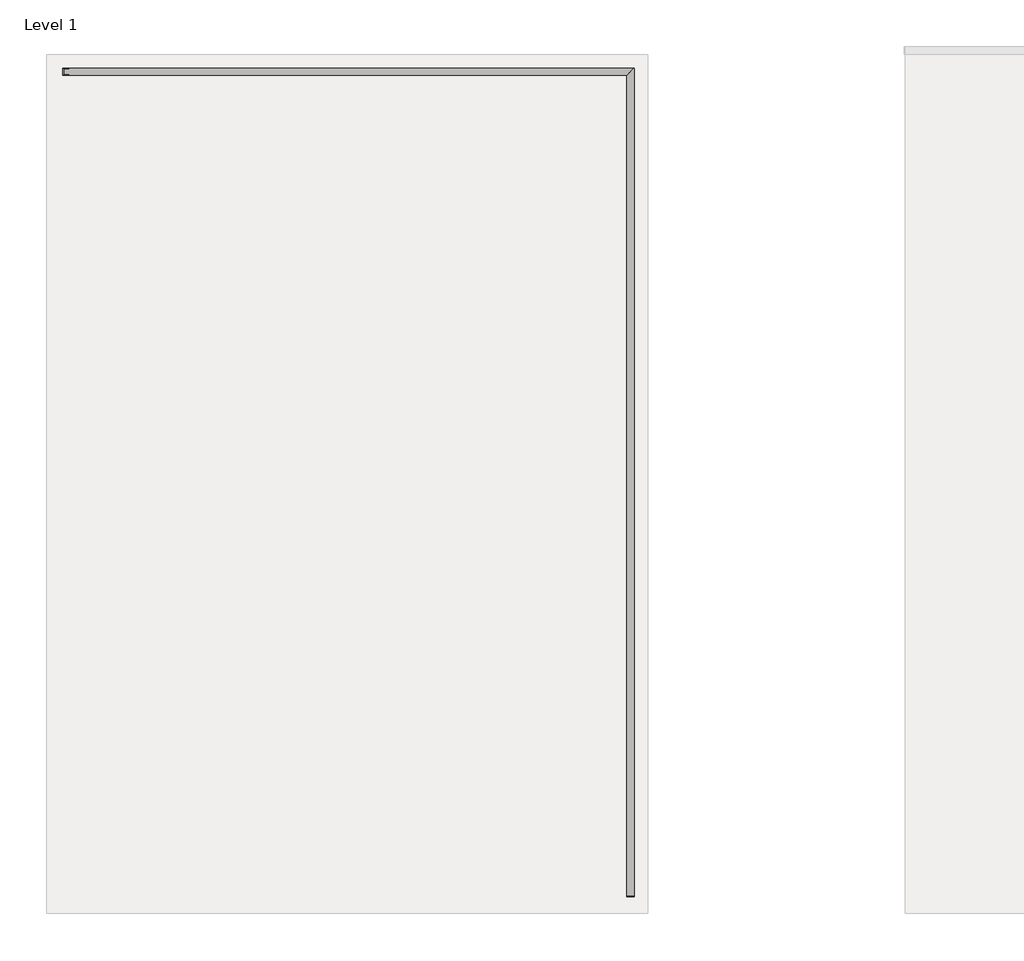
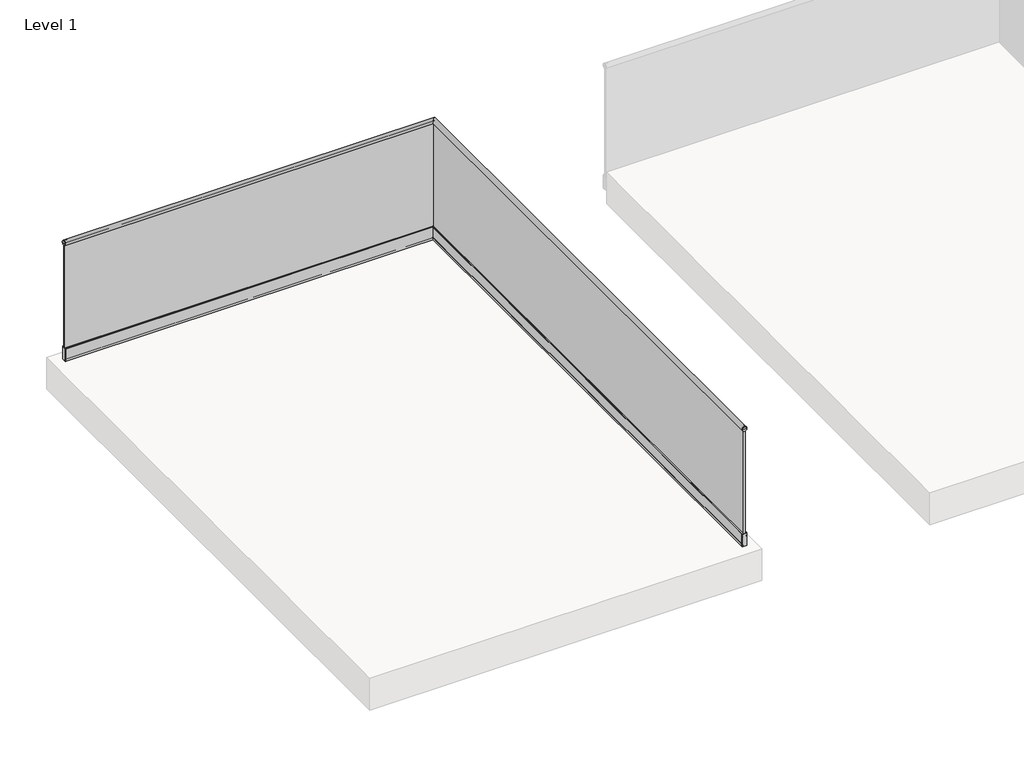
# One storey, part 2 of 11: 1 railing.
"""IFC4 building model written with IfcOpenShell, lengths in millimetres."""

from ifc_helpers import new_model, si_unit, frame, origin, place, context, project, spatial, polyline, circle_curve, ellipse_curve, outline, extrude, faceted_brep, element, save
from ifc_brep_helpers import plane_surface, cylinder_surface, revolved_surface, advanced_brep

model = new_model("IFC4")

# Units and contexts
model_context = context("Model", 3, world=origin())
ifc_project = project(units=[si_unit("LENGTHUNIT", "METRE", prefix="MILLI")], contexts=[model_context])

# Site, building, storey
site = spatial("IfcSite", under=ifc_project)
building = spatial("IfcBuilding", under=site)
storey = spatial("IfcBuildingStorey", under=building, Name="Level 1", Elevation=0.0)

# Railing
placement = place(None, origin())
element("IfcRailing", 1, at=placement, inside=storey, context=model_context, shape_type="SolidModel", body=[
    advanced_brep(
    [(-10250.0524845, -58734.3362173, 1107.8064374), (-10285.0524845, -58734.3362173, 1107.8064374), (-10286.5524845, -58734.3362173, 1107.8064374), (-10248.5524845, -58734.3362173, 1107.8064374), (-10282.321392, -58734.3362173, 1098.418713), (-10284.0712807, -58734.3362173, 1098.418713), (-10251.0336882, -58734.3362173, 1098.418713), (-10252.7835769, -58734.3362173, 1098.418713), (-10246.3524845, -58764.3362173, 1107.8064374), (-10288.7524845, -58764.3362173, 1107.8064374), (-10288.7524845, -58768.3362173, 1107.8064374), (-10246.3524845, -58768.3362173, 1107.8064374), (-10248.5524845, -58764.3362173, 1107.8064374), (-10286.5524845, -58764.3362173, 1107.8064374), (-10284.0712807, -58764.3362173, 1098.418713), (-10282.321392, -58764.3362173, 1098.418713), (-10285.0524845, -58764.3362173, 1107.8064374), (-10267.5524845, -58764.3362173, 1107.8064374), (-10250.0524845, -58764.3362173, 1107.8064374), (-10252.7835769, -58764.3362173, 1098.418713), (-10251.0336882, -58764.3362173, 1098.418713), (-10267.5524845, -58768.3362173, 1107.8064374)],
    [
        (0, 1, circle_curve(frame((-10267.5524845, -58734.3362173, 1107.8064374), z_axis=(0.0, -1.0, 0.0), x_axis=(-1.0, 0.0, 0.0)), 17.5)),
        (1, 2),
        (2, 3, circle_curve(frame((-10267.5524845, -58734.3362173, 1107.8064374), z_axis=(0.0, 1.0, 0.0), x_axis=(-1.0, 0.0, 0.0)), 19.0)),
        (3, 0),
        (1, 4, circle_curve(frame((-10267.5524845, -58734.3362173, 1107.8064374), z_axis=(0.0, -1.0, 0.0), x_axis=(-1.0, 0.0, 0.0)), 17.5)),
        (4, 5),
        (5, 2, circle_curve(frame((-10267.5524845, -58734.3362173, 1107.8064374), z_axis=(0.0, 1.0, 0.0), x_axis=(-1.0, 0.0, 0.0)), 19.0)),
        (3, 6, circle_curve(frame((-10267.5524845, -58734.3362173, 1107.8064374), z_axis=(0.0, 1.0, 0.0), x_axis=(-1.0, 0.0, 0.0)), 19.0)),
        (6, 7),
        (7, 0, circle_curve(frame((-10267.5524845, -58734.3362173, 1107.8064374), z_axis=(0.0, -1.0, 0.0), x_axis=(-1.0, 0.0, 0.0)), 17.5)),
        (8, 9, circle_curve(frame((-10267.5524845, -58764.3362173, 1107.8064374), z_axis=(0.0, -1.0, 0.0), x_axis=(-1.0, 0.0, 0.0)), 21.2)),
        (9, 10),
        (10, 11, circle_curve(frame((-10267.5524845, -58768.3362173, 1107.8064374), z_axis=(0.0, 1.0, 0.0), x_axis=(-1.0, 0.0, 0.0)), 21.2)),
        (11, 8),
        (9, 8, circle_curve(frame((-10267.5524845, -58764.3362173, 1107.8064374), z_axis=(0.0, -1.0, 0.0), x_axis=(-1.0, 0.0, 0.0)), 21.2)),
        (11, 10, circle_curve(frame((-10267.5524845, -58768.3362173, 1107.8064374), z_axis=(0.0, 1.0, 0.0), x_axis=(-1.0, 0.0, 0.0)), 21.2)),
        (8, 12),
        (12, 13, circle_curve(frame((-10267.5524845, -58764.3362173, 1107.8064374), z_axis=(0.0, -1.0, 0.0), x_axis=(-1.0, 0.0, 0.0)), 19.0)),
        (13, 9),
        (13, 14, circle_curve(frame((-10267.5524845, -58764.3362173, 1107.8064374), z_axis=(0.0, -1.0, 0.0), x_axis=(-1.0, 0.0, 0.0)), 19.0)),
        (14, 15),
        (15, 16, circle_curve(frame((-10267.5524845, -58764.3362173, 1107.8064374), z_axis=(0.0, 1.0, 0.0), x_axis=(-1.0, 0.0, 0.0)), 17.5)),
        (16, 17),
        (17, 18),
        (18, 19, circle_curve(frame((-10267.5524845, -58764.3362173, 1107.8064374), z_axis=(0.0, 1.0, 0.0), x_axis=(-1.0, 0.0, 0.0)), 17.5)),
        (19, 20),
        (20, 12, circle_curve(frame((-10267.5524845, -58764.3362173, 1107.8064374), z_axis=(0.0, -1.0, 0.0), x_axis=(-1.0, 0.0, 0.0)), 19.0)),
        (2, 13),
        (12, 3),
        (5, 14),
        (20, 6),
        (10, 21),
        (21, 11),
        (0, 18),
        (18, 16, circle_curve(frame((-10267.5524845, -58764.3362173, 1107.8064374), z_axis=(0.0, -1.0, 0.0), x_axis=(-1.0, 0.0, 0.0)), 17.5)),
        (16, 1),
        (7, 19),
        (15, 4),
    ],
    [
        plane_surface(frame((-10267.5524845, -58734.3362173, 1107.8064374), z_axis=(0.0, 1.0, 0.0), x_axis=(-1.0, 0.0, 0.0))),
        cylinder_surface(frame((-10267.5524845, -58426.2675037, 1107.8064374), z_axis=(0.0, 1.0, 0.0), x_axis=(-1.0, 0.0, 0.0)), 21.2),
        plane_surface(frame((-10267.5524845, -58764.3362173, 1107.8064374), z_axis=(0.0, 1.0, 0.0), x_axis=(-1.0, 0.0, 0.0))),
        cylinder_surface(frame((-10267.5524845, -58426.2675037, 1107.8064374), z_axis=(0.0, 1.0, 0.0), x_axis=(-1.0, 0.0, 0.0)), 19.0),
        plane_surface(frame((-10267.5524845, -58768.3362173, 1107.8064374), z_axis=(0.0, -1.0, 0.0), x_axis=(-1.0, 0.0, 0.0))),
        revolved_surface(polyline([(-10285.0524845, -58734.3362173, 1107.8064374), (-10285.0524845, -58764.3362173, 1107.8064374)]), (-10267.5524845, -58426.2675037, 1107.8064374), (0.0, 1.0, 0.0)),
        plane_surface(frame((-10246.3524845, -58764.3362173, 1098.418713), z_axis=(0.0, 0.0, -1.0), x_axis=(0.0, 1.0, 0.0))),
    ],
    [
        (0, [[1, 2, 3, 4]]),
        (0, [[-2, 5, 6, 7]]),
        (0, [[-4, 8, 9, 10]]),
        (1, [[11, 12, 13, 14]]),
        (1, [[-12, 15, -14, 16]]),
        (2, [[-11, 17, 18, 19]]),
        (2, [[-19, 20, 21, 22, 23, 24, 25, 26, 27, -17, -15]]),
        (3, [[-3, 28, -18, 29]]),
        (3, [[-28, -7, 30, -20]]),
        (3, [[-29, -27, 31, -8]]),
        (4, [[-13, 32, 33]]),
        (4, [[-16, -33, -32]]),
        (5, [[-1, 34, 35, 36]]),
        (5, [[-34, -10, 37, -25]]),
        (5, [[-36, -22, 38, -5]]),
        (2, [[-35, -24, -23]]),
        (6, [[-21, -30, -6, -38]]),
        (6, [[-26, -37, -9, -31]]),
    ],
),
    advanced_brep(
    [(-13538.5524845, -53980.8362173, 1107.8064374), (-13538.5524845, -53945.8362173, 1107.8064374), (-13538.5524845, -53944.3362173, 1107.8064374), (-13538.5524845, -53982.3362173, 1107.8064374), (-13538.5524845, -53948.5673098, 1098.418713), (-13538.5524845, -53946.817421, 1098.418713), (-13538.5524845, -53979.8550135, 1098.418713), (-13538.5524845, -53978.1051248, 1098.418713), (-13568.5524845, -53984.5362173, 1107.8064374), (-13568.5524845, -53942.1362173, 1107.8064374), (-13572.5524845, -53942.1362173, 1107.8064374), (-13572.5524845, -53984.5362173, 1107.8064374), (-13568.5524845, -53982.3362173, 1107.8064374), (-13568.5524845, -53944.3362173, 1107.8064374), (-13568.5524845, -53946.817421, 1098.418713), (-13568.5524845, -53948.5673098, 1098.418713), (-13568.5524845, -53945.8362173, 1107.8064374), (-13568.5524845, -53963.3362173, 1107.8064374), (-13568.5524845, -53980.8362173, 1107.8064374), (-13568.5524845, -53978.1051248, 1098.418713), (-13568.5524845, -53979.8550135, 1098.418713), (-13572.5524845, -53963.3362173, 1107.8064374)],
    [
        (0, 1, circle_curve(frame((-13538.5524845, -53963.3362173, 1107.8064374), z_axis=(-1.0, 0.0, 0.0), x_axis=(0.0, 1.0, 0.0)), 17.5)),
        (1, 2),
        (2, 3, circle_curve(frame((-13538.5524845, -53963.3362173, 1107.8064374), z_axis=(1.0, 0.0, 0.0), x_axis=(0.0, 1.0, 0.0)), 19.0)),
        (3, 0),
        (1, 4, circle_curve(frame((-13538.5524845, -53963.3362173, 1107.8064374), z_axis=(-1.0, 0.0, 0.0), x_axis=(0.0, 1.0, 0.0)), 17.5)),
        (4, 5),
        (5, 2, circle_curve(frame((-13538.5524845, -53963.3362173, 1107.8064374), z_axis=(1.0, 0.0, 0.0), x_axis=(0.0, 1.0, 0.0)), 19.0)),
        (3, 6, circle_curve(frame((-13538.5524845, -53963.3362173, 1107.8064374), z_axis=(1.0, 0.0, 0.0), x_axis=(0.0, 1.0, 0.0)), 19.0)),
        (6, 7),
        (7, 0, circle_curve(frame((-13538.5524845, -53963.3362173, 1107.8064374), z_axis=(-1.0, 0.0, 0.0), x_axis=(0.0, 1.0, 0.0)), 17.5)),
        (8, 9, circle_curve(frame((-13568.5524845, -53963.3362173, 1107.8064374), z_axis=(-1.0, 0.0, 0.0), x_axis=(0.0, 1.0, 0.0)), 21.2)),
        (9, 10),
        (10, 11, circle_curve(frame((-13572.5524845, -53963.3362173, 1107.8064374), z_axis=(1.0, 0.0, 0.0), x_axis=(0.0, 1.0, 0.0)), 21.2)),
        (11, 8),
        (9, 8, circle_curve(frame((-13568.5524845, -53963.3362173, 1107.8064374), z_axis=(-1.0, 0.0, 0.0), x_axis=(0.0, 1.0, 0.0)), 21.2)),
        (11, 10, circle_curve(frame((-13572.5524845, -53963.3362173, 1107.8064374), z_axis=(1.0, 0.0, 0.0), x_axis=(0.0, 1.0, 0.0)), 21.2)),
        (8, 12),
        (12, 13, circle_curve(frame((-13568.5524845, -53963.3362173, 1107.8064374), z_axis=(-1.0, 0.0, 0.0), x_axis=(0.0, 1.0, 0.0)), 19.0)),
        (13, 9),
        (13, 14, circle_curve(frame((-13568.5524845, -53963.3362173, 1107.8064374), z_axis=(-1.0, 0.0, 0.0), x_axis=(0.0, 1.0, 0.0)), 19.0)),
        (14, 15),
        (15, 16, circle_curve(frame((-13568.5524845, -53963.3362173, 1107.8064374), z_axis=(1.0, 0.0, 0.0), x_axis=(0.0, 1.0, 0.0)), 17.5)),
        (16, 17),
        (17, 18),
        (18, 19, circle_curve(frame((-13568.5524845, -53963.3362173, 1107.8064374), z_axis=(1.0, 0.0, 0.0), x_axis=(0.0, 1.0, 0.0)), 17.5)),
        (19, 20),
        (20, 12, circle_curve(frame((-13568.5524845, -53963.3362173, 1107.8064374), z_axis=(-1.0, 0.0, 0.0), x_axis=(0.0, 1.0, 0.0)), 19.0)),
        (2, 13),
        (12, 3),
        (5, 14),
        (20, 6),
        (10, 21),
        (21, 11),
        (0, 18),
        (18, 16, circle_curve(frame((-13568.5524845, -53963.3362173, 1107.8064374), z_axis=(-1.0, 0.0, 0.0), x_axis=(0.0, 1.0, 0.0)), 17.5)),
        (16, 1),
        (7, 19),
        (15, 4),
    ],
    [
        plane_surface(frame((-13538.5524845, -53963.3362173, 1107.8064374), z_axis=(1.0, 0.0, 0.0), x_axis=(0.0, 1.0, 0.0))),
        cylinder_surface(frame((-13230.4837708, -53963.3362173, 1107.8064374), z_axis=(1.0, 0.0, 0.0), x_axis=(0.0, 1.0, 0.0)), 21.2),
        plane_surface(frame((-13568.5524845, -53963.3362173, 1107.8064374), z_axis=(1.0, 0.0, 0.0), x_axis=(0.0, 1.0, 0.0))),
        cylinder_surface(frame((-13230.4837708, -53963.3362173, 1107.8064374), z_axis=(1.0, 0.0, 0.0), x_axis=(0.0, 1.0, 0.0)), 19.0),
        plane_surface(frame((-13572.5524845, -53963.3362173, 1107.8064374), z_axis=(-1.0, 0.0, 0.0), x_axis=(0.0, 1.0, 0.0))),
        revolved_surface(polyline([(-13538.5524845, -53945.8362173, 1107.8064374), (-13568.5524845, -53945.8362173, 1107.8064374)]), (-13230.4837708, -53963.3362173, 1107.8064374), (1.0, 0.0, 0.0)),
        plane_surface(frame((-13568.5524845, -53984.5362173, 1098.418713), z_axis=(0.0, 0.0, -1.0), x_axis=(1.0, 0.0, 0.0))),
    ],
    [
        (0, [[1, 2, 3, 4]]),
        (0, [[-2, 5, 6, 7]]),
        (0, [[-4, 8, 9, 10]]),
        (1, [[11, 12, 13, 14]]),
        (1, [[-12, 15, -14, 16]]),
        (2, [[-11, 17, 18, 19]]),
        (2, [[-19, 20, 21, 22, 23, 24, 25, 26, 27, -17, -15]]),
        (3, [[-3, 28, -18, 29]]),
        (3, [[-28, -7, 30, -20]]),
        (3, [[-29, -27, 31, -8]]),
        (4, [[-13, 32, 33]]),
        (4, [[-16, -33, -32]]),
        (5, [[-1, 34, 35, 36]]),
        (5, [[-34, -10, 37, -25]]),
        (5, [[-36, -22, 38, -5]]),
        (2, [[-35, -24, -23]]),
        (6, [[-21, -30, -6, -38]]),
        (6, [[-26, -37, -9, -31]]),
    ],
),
    advanced_brep(
    [(-10255.5524845, -53951.3362173, 1116.0), (-10255.5524845, -53951.3362173, 1093.4528749), (-10255.5524845, -58763.3362173, 1093.4528749), (-10255.5524845, -58763.3362173, 1116.0), (-10279.5524845, -53975.3362173, 1093.4528749), (-10279.5524845, -53975.3362173, 1116.0), (-10279.5524845, -58763.3362173, 1116.0), (-10279.5524845, -58763.3362173, 1093.4528749), (-10282.0804032, -53977.8641361, 1092.3604542), (-10282.0804032, -58763.3362173, 1092.3604542), (-10253.0245657, -53948.8082985, 1092.3604542), (-10253.0245657, -58763.3362173, 1092.3604542), (-13567.5524845, -53975.3362173, 1116.0), (-13567.5524845, -53951.3362173, 1116.0), (-13567.5524845, -53975.3362173, 1093.4528749), (-13567.5524845, -53951.3362173, 1093.4528749), (-13567.5524845, -53977.8641361, 1092.3604542), (-13567.5524845, -53948.8082985, 1092.3604542), (-13568.5524845, -53951.3362173, 1116.0), (-13568.5524845, -53975.3362173, 1116.0), (-13568.5524845, -53975.3362173, 1093.4528749), (-13568.5524845, -53977.8641361, 1092.3604542), (-13568.5524845, -53948.8082985, 1092.3604542), (-13568.5524845, -53951.3362173, 1093.4528749), (-10255.5524845, -58764.3362173, 1116.0), (-10255.5524845, -58764.3362173, 1093.4528749), (-10253.0245657, -58764.3362173, 1092.3604542), (-10282.0804032, -58764.3362173, 1092.3604542), (-10279.5524845, -58764.3362173, 1093.4528749), (-10279.5524845, -58764.3362173, 1116.0)],
    [
        (0, 1),
        (1, 2),
        (2, 3),
        (3, 0),
        (4, 5),
        (5, 6),
        (6, 7),
        (7, 4),
        (5, 0),
        (3, 6),
        (8, 4, ellipse_curve(frame((-10281.0524845, -53976.8362173, 1093.4528749), z_axis=(0.7071067811865457, -0.7071067811865493, 0.0), x_axis=(0.7071067811865492, 0.7071067811865457, 0.0)), 2.1213203, 1.5)),
        (7, 9, circle_curve(frame((-10281.0524845, -58763.3362173, 1093.4528749), z_axis=(0.0, 1.0, 0.0), x_axis=(1.0, 0.0, 0.0)), 1.5)),
        (9, 8),
        (10, 8, ellipse_curve(frame((-10267.5524845, -53963.3362173, 1107.8), z_axis=(0.7071067811865457, -0.7071067811865493, 0.0), x_axis=(0.7071067811865492, 0.7071067811865457, 0.0)), 29.9813275, 21.2)),
        (9, 11, circle_curve(frame((-10267.5524845, -58763.3362173, 1107.8), z_axis=(0.0, 1.0, 0.0), x_axis=(1.0, 0.0, 0.0)), 21.2)),
        (11, 10),
        (1, 10, ellipse_curve(frame((-10254.0524845, -53949.8362173, 1093.4528749), z_axis=(0.7071067811865457, -0.7071067811865493, 0.0), x_axis=(0.7071067811865492, 0.7071067811865457, 0.0)), 2.1213203, 1.5)),
        (11, 2, circle_curve(frame((-10254.0524845, -58763.3362173, 1093.4528749), z_axis=(0.0, 1.0, 0.0), x_axis=(1.0, 0.0, 0.0)), 1.5)),
        (12, 13),
        (13, 0),
        (5, 12),
        (14, 12),
        (4, 14),
        (13, 15),
        (15, 1),
        (16, 14, circle_curve(frame((-13567.5524845, -53976.8362173, 1093.4528749), z_axis=(1.0, 0.0, 0.0), x_axis=(0.0, 1.0, 0.0)), 1.5)),
        (8, 16),
        (17, 16, circle_curve(frame((-13567.5524845, -53963.3362173, 1107.8), z_axis=(1.0, 0.0, 0.0), x_axis=(0.0, 1.0, 0.0)), 21.2)),
        (10, 17),
        (15, 17, circle_curve(frame((-13567.5524845, -53949.8362173, 1093.4528749), z_axis=(1.0, 0.0, 0.0), x_axis=(0.0, 1.0, 0.0)), 1.5)),
        (18, 19),
        (19, 20),
        (20, 21, circle_curve(frame((-13568.5524845, -53976.8362173, 1093.4528749), z_axis=(-1.0, 0.0, 0.0), x_axis=(0.0, 1.0, 0.0)), 1.5)),
        (21, 22, circle_curve(frame((-13568.5524845, -53963.3362173, 1107.8), z_axis=(-1.0, 0.0, 0.0), x_axis=(0.0, 1.0, 0.0)), 21.2)),
        (22, 23, circle_curve(frame((-13568.5524845, -53949.8362173, 1093.4528749), z_axis=(-1.0, 0.0, 0.0), x_axis=(0.0, 1.0, 0.0)), 1.5)),
        (23, 18),
        (18, 13),
        (12, 19),
        (14, 20),
        (16, 21),
        (17, 22),
        (15, 23),
        (24, 25),
        (25, 26, circle_curve(frame((-10254.0524845, -58764.3362173, 1093.4528749), z_axis=(0.0, -1.0, 0.0), x_axis=(1.0, 0.0, 0.0)), 1.5)),
        (26, 27, circle_curve(frame((-10267.5524845, -58764.3362173, 1107.8), z_axis=(0.0, -1.0, 0.0), x_axis=(1.0, 0.0, 0.0)), 21.2)),
        (27, 28, circle_curve(frame((-10281.0524845, -58764.3362173, 1093.4528749), z_axis=(0.0, -1.0, 0.0), x_axis=(1.0, 0.0, 0.0)), 1.5)),
        (28, 29),
        (29, 24),
        (3, 24),
        (29, 6),
        (28, 7),
        (27, 9),
        (26, 11),
        (25, 2),
    ],
    [
        plane_surface(frame((-10255.5524845, -53951.3362173, 1093.4528749), z_axis=(-1.0, 0.0, 0.0), x_axis=(0.0, -1.0, 0.0))),
        plane_surface(frame((-10279.5524845, -53975.3362173, 1116.0), z_axis=(1.0, 0.0, 0.0), x_axis=(0.0, -1.0, 0.0))),
        plane_surface(frame((-10255.5524845, -53951.3362173, 1116.0), z_axis=(0.0, 0.0, -1.0), x_axis=(0.0, -1.0, 0.0))),
        cylinder_surface(frame((-10281.0524845, -53963.3362173, 1093.4528749), z_axis=(0.0, 1.0, 0.0), x_axis=(1.0, 0.0, 0.0)), 1.5),
        cylinder_surface(frame((-10267.5524845, -53963.3362173, 1107.8), z_axis=(0.0, 1.0, 0.0), x_axis=(1.0, 0.0, 0.0)), 21.2),
        cylinder_surface(frame((-10254.0524845, -53963.3362173, 1093.4528749), z_axis=(0.0, 1.0, 0.0), x_axis=(1.0, 0.0, 0.0)), 1.5),
        plane_surface(frame((-13567.5524845, -53951.3362173, 1116.0), z_axis=(0.0, 0.0, -1.0), x_axis=(1.0, 0.0, 0.0))),
        plane_surface(frame((-13567.5524845, -53975.3362173, 1116.0), z_axis=(0.0, 1.0, 0.0), x_axis=(1.0, 0.0, 0.0))),
        plane_surface(frame((-13567.5524845, -53951.3362173, 1093.4528749), z_axis=(0.0, -1.0, 0.0), x_axis=(1.0, 0.0, 0.0))),
        cylinder_surface(frame((-13567.5524845, -53976.8362173, 1093.4528749), z_axis=(-1.0, 0.0, 0.0), x_axis=(0.0, 1.0, 0.0)), 1.5),
        cylinder_surface(frame((-13567.5524845, -53963.3362173, 1107.8), z_axis=(-1.0, 0.0, 0.0), x_axis=(0.0, 1.0, 0.0)), 21.2),
        cylinder_surface(frame((-13567.5524845, -53949.8362173, 1093.4528749), z_axis=(-1.0, 0.0, 0.0), x_axis=(0.0, 1.0, 0.0)), 1.5),
        plane_surface(frame((-13568.5524845, -53963.3362173, 1116.0), z_axis=(-1.0, 0.0, 0.0), x_axis=(0.0, 1.0, 0.0))),
        plane_surface(frame((-13568.5524845, -53951.3362173, 1116.0), z_axis=(0.0, 0.0, -1.0), x_axis=(1.0, 0.0, 0.0))),
        plane_surface(frame((-13568.5524845, -53975.3362173, 1116.0), z_axis=(0.0, 1.0, 0.0), x_axis=(1.0, 0.0, 0.0))),
        cylinder_surface(frame((-13568.5524845, -53976.8362173, 1093.4528749), z_axis=(-1.0, 0.0, 0.0), x_axis=(0.0, 1.0, 0.0)), 1.5),
        cylinder_surface(frame((-13568.5524845, -53963.3362173, 1107.8), z_axis=(-1.0, 0.0, 0.0), x_axis=(0.0, 1.0, 0.0)), 21.2),
        cylinder_surface(frame((-13568.5524845, -53949.8362173, 1093.4528749), z_axis=(-1.0, 0.0, 0.0), x_axis=(0.0, 1.0, 0.0)), 1.5),
        plane_surface(frame((-13568.5524845, -53951.3362173, 1093.4528749), z_axis=(0.0, -1.0, 0.0), x_axis=(1.0, 0.0, 0.0))),
        plane_surface(frame((-10267.5524845, -58764.3362173, 1116.0), z_axis=(0.0, -1.0, 0.0), x_axis=(0.0, 0.0, -1.0))),
        plane_surface(frame((-10255.5524845, -58763.3362173, 1116.0), z_axis=(0.0, 0.0, -1.0), x_axis=(0.0, -1.0, 0.0))),
        plane_surface(frame((-10279.5524845, -58763.3362173, 1116.0), z_axis=(1.0, 0.0, 0.0), x_axis=(0.0, -1.0, 0.0))),
        cylinder_surface(frame((-10281.0524845, -58763.3362173, 1093.4528749), z_axis=(0.0, 1.0, 0.0), x_axis=(1.0, 0.0, 0.0)), 1.5),
        cylinder_surface(frame((-10267.5524845, -58763.3362173, 1107.8), z_axis=(0.0, 1.0, 0.0), x_axis=(1.0, 0.0, 0.0)), 21.2),
        cylinder_surface(frame((-10254.0524845, -58763.3362173, 1093.4528749), z_axis=(0.0, 1.0, 0.0), x_axis=(1.0, 0.0, 0.0)), 1.5),
        plane_surface(frame((-10255.5524845, -58763.3362173, 1093.4528749), z_axis=(-1.0, 0.0, 0.0), x_axis=(0.0, -1.0, 0.0))),
    ],
    [
        (0, [[1, 2, 3, 4]]),
        (1, [[5, 6, 7, 8]]),
        (2, [[9, -4, 10, -6]]),
        (3, [[11, -8, 12, 13]]),
        (4, [[14, -13, 15, 16]]),
        (5, [[17, -16, 18, -2]]),
        (6, [[19, 20, -9, 21]]),
        (7, [[22, -21, -5, 23]]),
        (8, [[24, 25, -1, -20]]),
        (9, [[26, -23, -11, 27]]),
        (10, [[28, -27, -14, 29]]),
        (11, [[30, -29, -17, -25]]),
        (12, [[31, 32, 33, 34, 35, 36]]),
        (13, [[-31, 37, -19, 38]]),
        (14, [[-32, -38, -22, 39]]),
        (15, [[-33, -39, -26, 40]]),
        (16, [[-34, -40, -28, 41]]),
        (17, [[-35, -41, -30, 42]]),
        (18, [[-36, -42, -24, -37]]),
        (19, [[43, 44, 45, 46, 47, 48]]),
        (20, [[-10, 49, -48, 50]]),
        (21, [[-7, -50, -47, 51]]),
        (22, [[-12, -51, -46, 52]]),
        (23, [[-15, -52, -45, 53]]),
        (24, [[-18, -53, -44, 54]]),
        (25, [[-3, -54, -43, -49]]),
    ],
),
    faceted_brep([(-10258.7924845, -58763.3362173, 1113.0), (-10276.3124845, -58763.3362173, 1113.0), (-10276.3124845, -58763.3362173, 13.0), (-10258.7924845, -58763.3362173, 13.0), (-10276.3124845, -53972.0962173, 1113.0), (-10276.3124845, -53972.0962173, 13.0), (-10258.7924845, -53954.5762173, 1113.0), (-13567.5524845, -53954.5762173, 1113.0), (-13567.5524845, -53954.5762173, 13.0), (-13567.5524845, -53972.0962173, 13.0), (-13567.5524845, -53972.0962173, 1113.0), (-10258.7924845, -53954.5762173, 13.0)], [[[0, 1, 2, 3]], [[4, 5, 2, 1]], [[6, 4, 1, 0]], [[7, 8, 9, 10]], [[10, 9, 5, 4]], [[7, 10, 4, 6]], [[9, 8, 11, 5]], [[8, 7, 6, 11]], [[5, 11, 3, 2]], [[11, 6, 0, 3]]]),
    advanced_brep(
    [(-10288.5524845, -58763.3362173, 120.0004585), (-10288.5524845, -58763.3362173, 0.0), (-10246.5524845, -58763.3362173, 0.0), (-10246.5524845, -58763.3362173, 120.0), (-10252.2524845, -58763.3362173, 120.0), (-10252.2524845, -58763.3362173, 100.0), (-10251.2524845, -58763.3362173, 99.4226497), (-10255.0524845, -58763.3362173, 76.5), (-10255.0524845, -58763.3362173, 11.0), (-10256.0524845, -58763.3362173, 10.0), (-10279.0524845, -58763.3362173, 10.0), (-10280.0524845, -58763.3362173, 11.0), (-10280.0524845, -58763.3362173, 30.0), (-10284.0905991, -58763.3362173, 120.0004585), (-13567.5524845, -53984.3362173, 120.0004585), (-13567.5524845, -53979.8743319, 120.0004585), (-13567.5524845, -53975.8362173, 30.0), (-13567.5524845, -53975.8362173, 11.0), (-13567.5524845, -53974.8362173, 10.0), (-13567.5524845, -53951.8362173, 10.0), (-13567.5524845, -53950.8362173, 11.0), (-13567.5524845, -53950.8362173, 76.5), (-13567.5524845, -53947.0362173, 99.4226497), (-13567.5524845, -53948.0362173, 100.0), (-13567.5524845, -53948.0362173, 120.0), (-13567.5524845, -53942.3362173, 120.0), (-13567.5524845, -53942.3362173, 0.0), (-13567.5524845, -53984.3362173, 0.0), (-10288.5524845, -53984.3362173, 120.0004585), (-10284.0905991, -53979.8743319, 120.0004585), (-10280.0524845, -53975.8362173, 30.0), (-10280.0524845, -53975.8362173, 11.0), (-10279.0524845, -53974.8362173, 10.0), (-10256.0524845, -53951.8362173, 10.0), (-10255.0524845, -53950.8362173, 11.0), (-10255.0524845, -53950.8362173, 76.5), (-10251.2524845, -53947.0362173, 99.4226497), (-10252.2524845, -53948.0362173, 100.0), (-10252.2524845, -53948.0362173, 120.0), (-10246.5524845, -53942.3362173, 120.0), (-10246.5524845, -53942.3362173, 0.0), (-10288.5524845, -53984.3362173, 0.0)],
    [
        (0, 1),
        (1, 2),
        (2, 3),
        (3, 4),
        (4, 5),
        (5, 6),
        (6, 7),
        (7, 8),
        (8, 9, circle_curve(frame((-10256.0524845, -58763.3362173, 11.0), z_axis=(0.0, 1.0, 0.0), x_axis=(1.0, 0.0, 0.0)), 1.0)),
        (9, 10),
        (10, 11, circle_curve(frame((-10279.0524845, -58763.3362173, 11.0), z_axis=(0.0, 1.0, 0.0), x_axis=(1.0, 0.0, 0.0)), 1.0)),
        (11, 12),
        (12, 13),
        (13, 0),
        (14, 15),
        (15, 16),
        (16, 17),
        (17, 18, circle_curve(frame((-13567.5524845, -53974.8362173, 11.0), z_axis=(1.0, 0.0, 0.0), x_axis=(0.0, 1.0, 0.0)), 1.0)),
        (18, 19),
        (19, 20, circle_curve(frame((-13567.5524845, -53951.8362173, 11.0), z_axis=(1.0, 0.0, 0.0), x_axis=(0.0, 1.0, 0.0)), 1.0)),
        (20, 21),
        (21, 22),
        (22, 23),
        (23, 24),
        (24, 25),
        (25, 26),
        (26, 27),
        (27, 14),
        (14, 28),
        (28, 29),
        (29, 15),
        (29, 30),
        (30, 16),
        (30, 31),
        (31, 17),
        (31, 32, ellipse_curve(frame((-10279.0524845, -53974.8362173, 11.0), z_axis=(0.7071067811865457, -0.7071067811865493, 0.0), x_axis=(0.7071067811865492, 0.7071067811865458, 0.0)), 1.4142136, 1.0)),
        (32, 18),
        (32, 33),
        (33, 19),
        (33, 34, ellipse_curve(frame((-10256.0524845, -53951.8362173, 11.0), z_axis=(0.7071067811865457, -0.7071067811865493, 0.0), x_axis=(0.7071067811865492, 0.7071067811865458, 0.0)), 1.4142136, 1.0)),
        (34, 20),
        (34, 35),
        (35, 21),
        (35, 36),
        (36, 22),
        (36, 37),
        (37, 23),
        (37, 38),
        (38, 24),
        (38, 39),
        (39, 25),
        (39, 40),
        (40, 26),
        (40, 41),
        (41, 27),
        (41, 28),
        (28, 0),
        (13, 29),
        (12, 30),
        (11, 31),
        (10, 32),
        (9, 33),
        (8, 34),
        (7, 35),
        (6, 36),
        (5, 37),
        (4, 38),
        (3, 39),
        (2, 40),
        (1, 41),
    ],
    [
        plane_surface(frame((-10267.5524845, -58763.3362173, 0.0), z_axis=(0.0, -1.0, 0.0), x_axis=(0.0, 0.0, -1.0))),
        plane_surface(frame((-13567.5524845, -53963.3362173, 0.0), z_axis=(-1.0, 0.0, 0.0), x_axis=(0.0, 1.0, 0.0))),
        plane_surface(frame((-13567.5524845, -53984.3362173, 120.0004585), z_axis=(0.0, 0.0, 1.0), x_axis=(1.0, 0.0, 0.0))),
        plane_surface(frame((-13567.5524845, -53979.8743319, 120.0004585), z_axis=(0.0, 0.9989949613987466, 0.04482261817338354), x_axis=(1.0, 0.0, 0.0))),
        plane_surface(frame((-13567.5524845, -53975.8362173, 30.0), z_axis=(0.0, 1.0, 0.0), x_axis=(1.0, 0.0, 0.0))),
        revolved_surface(polyline([(-10278.052484473394, -53973.8362173, 11.0), (-13567.5524845, -53973.8362173, 11.0)]), (-13567.5524845, -53974.8362173, 11.0), (1.0, 0.0, 0.0)),
        plane_surface(frame((-13567.5524845, -53974.8362173, 10.0), z_axis=(0.0, 0.0, 1.0), x_axis=(1.0, 0.0, 0.0))),
        revolved_surface(polyline([(-10255.052484473394, -53950.8362173, 11.0), (-13567.5524845, -53950.8362173, 11.0)]), (-13567.5524845, -53951.8362173, 11.0), (1.0, 0.0, 0.0)),
        plane_surface(frame((-13567.5524845, -53950.8362173, 11.0), z_axis=(0.0, -1.0, 0.0), x_axis=(1.0, 0.0, 0.0))),
        plane_surface(frame((-13567.5524845, -53950.8362173, 76.5), z_axis=(0.0, -0.9865362159973996, 0.16354294397965358), x_axis=(1.0, 0.0, 0.0))),
        plane_surface(frame((-13567.5524845, -53947.0362173, 99.4226497), z_axis=(0.0, -0.4999999999996219, -0.866025403784657), x_axis=(1.0, 0.0, 0.0))),
        plane_surface(frame((-13567.5524845, -53948.0362173, 100.0), z_axis=(0.0, -1.0, 0.0), x_axis=(1.0, 0.0, 0.0))),
        plane_surface(frame((-13567.5524845, -53948.0362173, 120.0), z_axis=(0.0, 0.0, 1.0), x_axis=(1.0, 0.0, 0.0))),
        plane_surface(frame((-13567.5524845, -53942.3362173, 120.0), z_axis=(0.0, 1.0, 0.0), x_axis=(1.0, 0.0, 0.0))),
        plane_surface(frame((-13567.5524845, -53942.3362173, 0.0), z_axis=(0.0, 0.0, -1.0), x_axis=(1.0, 0.0, 0.0))),
        plane_surface(frame((-13567.5524845, -53984.3362173, 0.0), z_axis=(0.0, -1.0, 0.0), x_axis=(1.0, 0.0, 0.0))),
        plane_surface(frame((-10288.5524845, -53984.3362173, 120.0004585), z_axis=(0.0, 0.0, 1.0), x_axis=(0.0, -1.0, 0.0))),
        plane_surface(frame((-10284.0905991, -53979.8743319, 120.0004585), z_axis=(0.9989949613987466, 0.0, 0.04482261817338354), x_axis=(0.0, -1.0, 0.0))),
        plane_surface(frame((-10280.0524845, -53975.8362173, 30.0), z_axis=(1.0, 0.0, 0.0), x_axis=(0.0, -1.0, 0.0))),
        revolved_surface(polyline([(-10278.0524845, -58763.3362173, 11.0), (-10278.0524845, -53973.83621727339, 11.0)]), (-10279.0524845, -53963.3362173, 11.0), (0.0, -1.0, 0.0)),
        plane_surface(frame((-10279.0524845, -53974.8362173, 10.0), z_axis=(0.0, 0.0, 1.0), x_axis=(0.0, -1.0, 0.0))),
        revolved_surface(polyline([(-10255.0524845, -58763.3362173, 11.0), (-10255.0524845, -53950.83621727339, 11.0)]), (-10256.0524845, -53963.3362173, 11.0), (0.0, -1.0, 0.0)),
        plane_surface(frame((-10255.0524845, -53950.8362173, 11.0), z_axis=(-1.0, 0.0, 0.0), x_axis=(0.0, -1.0, 0.0))),
        plane_surface(frame((-10255.0524845, -53950.8362173, 76.5), z_axis=(-0.9865362159973996, 0.0, 0.16354294397965358), x_axis=(0.0, -1.0, 0.0))),
        plane_surface(frame((-10251.2524845, -53947.0362173, 99.4226497), z_axis=(-0.4999999999996219, 0.0, -0.866025403784657), x_axis=(0.0, -1.0, 0.0))),
        plane_surface(frame((-10252.2524845, -53948.0362173, 100.0), z_axis=(-1.0, 0.0, 0.0), x_axis=(0.0, -1.0, 0.0))),
        plane_surface(frame((-10252.2524845, -53948.0362173, 120.0), z_axis=(0.0, 0.0, 1.0), x_axis=(0.0, -1.0, 0.0))),
        plane_surface(frame((-10246.5524845, -53942.3362173, 120.0), z_axis=(1.0, 0.0, 0.0), x_axis=(0.0, -1.0, 0.0))),
        plane_surface(frame((-10246.5524845, -53942.3362173, 0.0), z_axis=(0.0, 0.0, -1.0), x_axis=(0.0, -1.0, 0.0))),
        plane_surface(frame((-10288.5524845, -53984.3362173, 0.0), z_axis=(-1.0, 0.0, 0.0), x_axis=(0.0, -1.0, 0.0))),
    ],
    [
        (0, [[1, 2, 3, 4, 5, 6, 7, 8, 9, 10, 11, 12, 13, 14]]),
        (1, [[15, 16, 17, 18, 19, 20, 21, 22, 23, 24, 25, 26, 27, 28]]),
        (2, [[-15, 29, 30, 31]]),
        (3, [[-16, -31, 32, 33]]),
        (4, [[-17, -33, 34, 35]]),
        (5, [[-18, -35, 36, 37]]),
        (6, [[-19, -37, 38, 39]]),
        (7, [[-20, -39, 40, 41]]),
        (8, [[-21, -41, 42, 43]]),
        (9, [[-22, -43, 44, 45]]),
        (10, [[-23, -45, 46, 47]]),
        (11, [[-24, -47, 48, 49]]),
        (12, [[-25, -49, 50, 51]]),
        (13, [[-26, -51, 52, 53]]),
        (14, [[-27, -53, 54, 55]]),
        (15, [[-28, -55, 56, -29]]),
        (16, [[-30, 57, -14, 58]]),
        (17, [[-32, -58, -13, 59]]),
        (18, [[-34, -59, -12, 60]]),
        (19, [[-36, -60, -11, 61]]),
        (20, [[-38, -61, -10, 62]]),
        (21, [[-40, -62, -9, 63]]),
        (22, [[-42, -63, -8, 64]]),
        (23, [[-44, -64, -7, 65]]),
        (24, [[-46, -65, -6, 66]]),
        (25, [[-48, -66, -5, 67]]),
        (26, [[-50, -67, -4, 68]]),
        (27, [[-52, -68, -3, 69]]),
        (28, [[-54, -69, -2, 70]]),
        (29, [[-56, -70, -1, -57]]),
    ],
),
    faceted_brep([(-10280.1367966, -58763.3362173, 36.3411595), (-10278.1615116, -58763.3362173, 36.3411595), (-10278.1615116, -58763.3362173, 88.8444794), (-10282.4925004, -58763.3362173, 88.8444794), (-13567.5524845, -53975.9205294, 36.3411595), (-13567.5524845, -53978.2762332, 88.8444794), (-13567.5524845, -53973.9452444, 88.8444794), (-13567.5524845, -53973.9452444, 36.3411595), (-10280.1367966, -53975.9205294, 36.3411595), (-10282.4925004, -53978.2762332, 88.8444794), (-10278.1615116, -53973.9452444, 88.8444794), (-10278.1615116, -53973.9452444, 36.3411595)], [[[0, 1, 2, 3]], [[4, 5, 6, 7]], [[5, 4, 8, 9]], [[6, 5, 9, 10]], [[7, 6, 10, 11]], [[4, 7, 11, 8]], [[9, 8, 0, 3]], [[10, 9, 3, 2]], [[11, 10, 2, 1]], [[8, 11, 1, 0]]]),
    advanced_brep(
    [(-10283.5054952, -58763.3362173, 111.4218461), (-10282.1516946, -58763.3362173, 108.3554881), (-10279.0780692, -58763.3362173, 108.3554881), (-10278.1024845, -58763.3362173, 109.1358647), (-10278.1024845, -58763.3362173, 121.8767848), (-10278.697889, -58763.3362173, 122.3675984), (-10283.9507934, -58763.3362173, 121.3465372), (-13567.5524845, -53979.289228, 111.4218461), (-13567.5524845, -53979.7345262, 121.3465372), (-13567.5524845, -53974.4816218, 122.3675984), (-13567.5524845, -53973.8862173, 121.8767848), (-13567.5524845, -53973.8862173, 109.1358647), (-13567.5524845, -53974.861802, 108.3554881), (-13567.5524845, -53977.9354274, 108.3554881), (-10283.5054952, -53979.289228, 111.4218461), (-10283.9507934, -53979.7345262, 121.3465372), (-10278.697889, -53974.4816218, 122.3675984), (-10278.1024845, -53973.8862173, 121.8767848), (-10278.1024845, -53973.8862173, 109.1358647), (-10279.0780692, -53974.861802, 108.3554881), (-10282.1516946, -53977.9354274, 108.3554881)],
    [
        (0, 1, circle_curve(frame((-10267.9018545, -58763.3362173, 116.4788401), z_axis=(0.0, -1.0, 0.0), x_axis=(1.0, 0.0, 0.0)), 16.4026458)),
        (1, 2),
        (2, 3, circle_curve(frame((-10279.0780692, -58763.3362173, 109.3554881), z_axis=(0.0, -1.0, 0.0), x_axis=(1.0, 0.0, 0.0)), 1.0)),
        (3, 4),
        (4, 5, circle_curve(frame((-10278.6024845, -58763.3362173, 121.8767848), z_axis=(0.0, -1.0, 0.0), x_axis=(1.0, 0.0, 0.0)), 0.5)),
        (5, 6),
        (6, 0),
        (7, 8),
        (8, 9),
        (9, 10, circle_curve(frame((-13567.5524845, -53974.3862173, 121.8767848), z_axis=(-1.0, 0.0, 0.0), x_axis=(0.0, 1.0, 0.0)), 0.5)),
        (10, 11),
        (11, 12, circle_curve(frame((-13567.5524845, -53974.861802, 109.3554881), z_axis=(-1.0, 0.0, 0.0), x_axis=(0.0, 1.0, 0.0)), 1.0)),
        (12, 13),
        (13, 7, circle_curve(frame((-13567.5524845, -53963.6855874, 116.4788401), z_axis=(-1.0, 0.0, 0.0), x_axis=(0.0, 1.0, 0.0)), 16.4026458)),
        (7, 14),
        (14, 15),
        (15, 8),
        (15, 16),
        (16, 9),
        (16, 17, ellipse_curve(frame((-10278.6024845, -53974.3862173, 121.8767848), z_axis=(-0.7071067811865457, 0.7071067811865493, 0.0), x_axis=(-0.7071067811865492, -0.7071067811865458, 0.0)), 0.7071068, 0.5)),
        (17, 10),
        (17, 18),
        (18, 11),
        (18, 19, ellipse_curve(frame((-10279.0780692, -53974.861802, 109.3554881), z_axis=(-0.7071067811865457, 0.7071067811865493, 0.0), x_axis=(-0.7071067811865492, -0.7071067811865458, 0.0)), 1.4142136, 1.0)),
        (19, 12),
        (19, 20),
        (20, 13),
        (20, 14, ellipse_curve(frame((-10267.9018545, -53963.6855874, 116.4788401), z_axis=(-0.7071067811865457, 0.7071067811865493, 0.0), x_axis=(-0.7071067811865492, -0.7071067811865458, 0.0)), 23.1968442, 16.4026458)),
        (14, 0),
        (6, 15),
        (5, 16),
        (4, 17),
        (3, 18),
        (2, 19),
        (1, 20),
    ],
    [
        plane_surface(frame((-10267.5524845, -58763.3362173, 0.0), z_axis=(0.0, -1.0, 0.0), x_axis=(0.0, 0.0, -1.0))),
        plane_surface(frame((-13567.5524845, -53963.3362173, 0.0), z_axis=(-1.0, 0.0, 0.0), x_axis=(0.0, 1.0, 0.0))),
        plane_surface(frame((-13567.5524845, -53979.289228, 111.4218461), z_axis=(0.0, -0.9989949613987466, -0.04482261817338369), x_axis=(1.0, 0.0, 0.0))),
        plane_surface(frame((-13567.5524845, -53979.7345262, 121.3465372), z_axis=(0.0, -0.19080899537654455, 0.9816271834476641), x_axis=(1.0, 0.0, 0.0))),
        cylinder_surface(frame((-13567.5524845, -53974.3862173, 121.8767848), z_axis=(-1.0, 0.0, 0.0), x_axis=(0.0, 1.0, 0.0)), 0.5),
        plane_surface(frame((-13567.5524845, -53973.8862173, 121.8767848), z_axis=(0.0, 1.0, 0.0), x_axis=(1.0, 0.0, 0.0))),
        cylinder_surface(frame((-13567.5524845, -53974.861802, 109.3554881), z_axis=(-1.0, 0.0, 0.0), x_axis=(0.0, 1.0, 0.0)), 1.0),
        plane_surface(frame((-13567.5524845, -53974.861802, 108.3554881), z_axis=(0.0, 0.0, -1.0), x_axis=(1.0, 0.0, 0.0))),
        cylinder_surface(frame((-13567.5524845, -53963.6855874, 116.4788401), z_axis=(-1.0, 0.0, 0.0), x_axis=(0.0, 1.0, 0.0)), 16.4026458),
        plane_surface(frame((-10283.5054952, -53979.289228, 111.4218461), z_axis=(-0.9989949613987466, 0.0, -0.04482261817338369), x_axis=(0.0, -1.0, 0.0))),
        plane_surface(frame((-10283.9507934, -53979.7345262, 121.3465372), z_axis=(-0.19080899537654455, 0.0, 0.9816271834476641), x_axis=(0.0, -1.0, 0.0))),
        cylinder_surface(frame((-10278.6024845, -53963.3362173, 121.8767848), z_axis=(0.0, 1.0, 0.0), x_axis=(1.0, 0.0, 0.0)), 0.5),
        plane_surface(frame((-10278.1024845, -53973.8862173, 121.8767848), z_axis=(1.0, 0.0, 0.0), x_axis=(0.0, -1.0, 0.0))),
        cylinder_surface(frame((-10279.0780692, -53963.3362173, 109.3554881), z_axis=(0.0, 1.0, 0.0), x_axis=(1.0, 0.0, 0.0)), 1.0),
        plane_surface(frame((-10279.0780692, -53974.861802, 108.3554881), z_axis=(0.0, 0.0, -1.0), x_axis=(0.0, -1.0, 0.0))),
        cylinder_surface(frame((-10267.9018545, -53963.3362173, 116.4788401), z_axis=(0.0, 1.0, 0.0), x_axis=(1.0, 0.0, 0.0)), 16.4026458),
    ],
    [
        (0, [[1, 2, 3, 4, 5, 6, 7]]),
        (1, [[8, 9, 10, 11, 12, 13, 14]]),
        (2, [[-8, 15, 16, 17]]),
        (3, [[-9, -17, 18, 19]]),
        (4, [[-10, -19, 20, 21]]),
        (5, [[-11, -21, 22, 23]]),
        (6, [[-12, -23, 24, 25]]),
        (7, [[-13, -25, 26, 27]]),
        (8, [[-14, -27, 28, -15]]),
        (9, [[-16, 29, -7, 30]]),
        (10, [[-18, -30, -6, 31]]),
        (11, [[-20, -31, -5, 32]]),
        (12, [[-22, -32, -4, 33]]),
        (13, [[-24, -33, -3, 34]]),
        (14, [[-26, -34, -2, 35]]),
        (15, [[-28, -35, -1, -29]]),
    ],
),
    advanced_brep(
    [(-10256.2524845, -58763.3362173, 10.2), (-10255.2524845, -58763.3362173, 11.2), (-10255.2524845, -58763.3362173, 76.5164651), (-10251.4724455, -58763.3362173, 99.3187042), (-10252.4524845, -58763.3362173, 99.8845299), (-10252.4524845, -58763.3362173, 120.914931), (-10256.1283203, -58763.3362173, 123.0824789), (-10257.0024845, -58763.3362173, 122.7508146), (-10257.0024845, -58763.3362173, 12.0), (-10277.8654461, -58763.3362173, 12.0), (-10278.1509663, -58763.3362173, 10.2), (-13567.5524845, -53952.0362173, 10.2), (-13567.5524845, -53973.9346992, 10.2), (-13567.5524845, -53973.649179, 12.0), (-13567.5524845, -53952.7862173, 12.0), (-13567.5524845, -53952.7862173, 122.7508146), (-13567.5524845, -53951.9120532, 123.0824789), (-13567.5524845, -53948.2362173, 120.914931), (-13567.5524845, -53948.2362173, 99.8845299), (-13567.5524845, -53947.2561784, 99.3187042), (-13567.5524845, -53951.0362173, 76.5164651), (-13567.5524845, -53951.0362173, 11.2), (-10256.2524845, -53952.0362173, 10.2), (-10278.1509663, -53973.9346992, 10.2), (-10277.8654461, -53973.649179, 12.0), (-10257.0024845, -53952.7862173, 12.0), (-10257.0024845, -53952.7862173, 122.7508146), (-10256.1283203, -53951.9120532, 123.0824789), (-10252.4524845, -53948.2362173, 120.914931), (-10252.4524845, -53948.2362173, 99.8845299), (-10251.4724455, -53947.2561784, 99.3187042), (-10255.2524845, -53951.0362173, 76.5164651), (-10255.2524845, -53951.0362173, 11.2)],
    [
        (0, 1, circle_curve(frame((-10256.2524845, -58763.3362173, 11.2), z_axis=(0.0, -1.0, 0.0), x_axis=(1.0, 0.0, 0.0)), 1.0)),
        (1, 2),
        (2, 3),
        (3, 4),
        (4, 5),
        (5, 6, circle_curve(frame((-10250.9387724, -58763.3362173, 127.6825664), z_axis=(0.0, 1.0, 0.0), x_axis=(1.0, 0.0, 0.0)), 6.9348549)),
        (6, 7, circle_curve(frame((-10256.5024845, -58763.3362173, 122.7508146), z_axis=(0.0, -1.0, 0.0), x_axis=(1.0, 0.0, 0.0)), 0.5)),
        (7, 8),
        (8, 9),
        (9, 10, circle_curve(frame((-10277.4940214, -58763.3362173, 11.0184388), z_axis=(0.0, -1.0, 0.0), x_axis=(1.0, 0.0, 0.0)), 1.049485)),
        (10, 0),
        (11, 12),
        (12, 13, circle_curve(frame((-13567.5524845, -53973.2777543, 11.0184388), z_axis=(-1.0, 0.0, 0.0), x_axis=(0.0, 1.0, 0.0)), 1.049485)),
        (13, 14),
        (14, 15),
        (15, 16, circle_curve(frame((-13567.5524845, -53952.2862173, 122.7508146), z_axis=(-1.0, 0.0, 0.0), x_axis=(0.0, 1.0, 0.0)), 0.5)),
        (16, 17, circle_curve(frame((-13567.5524845, -53946.7225052, 127.6825664), z_axis=(1.0, 0.0, 0.0), x_axis=(0.0, 1.0, 0.0)), 6.9348549)),
        (17, 18),
        (18, 19),
        (19, 20),
        (20, 21),
        (21, 11, circle_curve(frame((-13567.5524845, -53952.0362173, 11.2), z_axis=(-1.0, 0.0, 0.0), x_axis=(0.0, 1.0, 0.0)), 1.0)),
        (11, 22),
        (22, 23),
        (23, 12),
        (23, 24, ellipse_curve(frame((-10277.4940214, -53973.2777543, 11.0184388), z_axis=(-0.7071067811865457, 0.7071067811865493, 0.0), x_axis=(-0.7071067811865492, -0.7071067811865458, 0.0)), 1.4841959, 1.049485)),
        (24, 13),
        (24, 25),
        (25, 14),
        (25, 26),
        (26, 15),
        (26, 27, ellipse_curve(frame((-10256.5024845, -53952.2862173, 122.7508146), z_axis=(-0.7071067811865457, 0.7071067811865493, 0.0), x_axis=(-0.7071067811865492, -0.7071067811865458, 0.0)), 0.7071068, 0.5)),
        (27, 16),
        (27, 28, ellipse_curve(frame((-10250.9387724, -53946.7225052, 127.6825664), z_axis=(0.7071067811865457, -0.7071067811865493, 0.0), x_axis=(0.7071067811865492, 0.7071067811865458, 0.0)), 9.8073659, 6.9348549)),
        (28, 17),
        (28, 29),
        (29, 18),
        (29, 30),
        (30, 19),
        (30, 31),
        (31, 20),
        (31, 32),
        (32, 21),
        (32, 22, ellipse_curve(frame((-10256.2524845, -53952.0362173, 11.2), z_axis=(-0.7071067811865457, 0.7071067811865493, 0.0), x_axis=(-0.7071067811865492, -0.7071067811865458, 0.0)), 1.4142136, 1.0)),
        (22, 0),
        (10, 23),
        (9, 24),
        (8, 25),
        (7, 26),
        (6, 27),
        (5, 28),
        (4, 29),
        (3, 30),
        (2, 31),
        (1, 32),
    ],
    [
        plane_surface(frame((-10267.5524845, -58763.3362173, 0.0), z_axis=(0.0, -1.0, 0.0), x_axis=(0.0, 0.0, -1.0))),
        plane_surface(frame((-13567.5524845, -53963.3362173, 0.0), z_axis=(-1.0, 0.0, 0.0), x_axis=(0.0, 1.0, 0.0))),
        plane_surface(frame((-13567.5524845, -53952.0362173, 10.2), z_axis=(0.0, 0.0, -1.0), x_axis=(1.0, 0.0, 0.0))),
        cylinder_surface(frame((-13567.5524845, -53973.2777543, 11.0184388), z_axis=(-1.0, 0.0, 0.0), x_axis=(0.0, 1.0, 0.0)), 1.049485),
        plane_surface(frame((-13567.5524845, -53973.649179, 12.0), z_axis=(0.0, 0.0, 1.0), x_axis=(1.0, 0.0, 0.0))),
        plane_surface(frame((-13567.5524845, -53952.7862173, 12.0), z_axis=(0.0, -1.0, 0.0), x_axis=(1.0, 0.0, 0.0))),
        cylinder_surface(frame((-13567.5524845, -53952.2862173, 122.7508146), z_axis=(-1.0, 0.0, 0.0), x_axis=(0.0, 1.0, 0.0)), 0.5),
        revolved_surface(polyline([(-10244.003917466533, -53939.7876503, 127.6825664), (-13567.5524845, -53939.7876503, 127.6825664)]), (-13567.5524845, -53946.7225052, 127.6825664), (1.0, 0.0, 0.0)),
        plane_surface(frame((-13567.5524845, -53948.2362173, 120.914931), z_axis=(0.0, 1.0, 0.0), x_axis=(1.0, 0.0, 0.0))),
        plane_surface(frame((-13567.5524845, -53948.2362173, 99.8845299), z_axis=(0.0, 0.4999999999996261, 0.8660254037846546), x_axis=(1.0, 0.0, 0.0))),
        plane_surface(frame((-13567.5524845, -53947.2561784, 99.3187042), z_axis=(0.0, 0.9865362159973996, -0.16354294397965363), x_axis=(1.0, 0.0, 0.0))),
        plane_surface(frame((-13567.5524845, -53951.0362173, 76.5164651), z_axis=(0.0, 1.0, 0.0), x_axis=(1.0, 0.0, 0.0))),
        cylinder_surface(frame((-13567.5524845, -53952.0362173, 11.2), z_axis=(-1.0, 0.0, 0.0), x_axis=(0.0, 1.0, 0.0)), 1.0),
        plane_surface(frame((-10256.2524845, -53952.0362173, 10.2), z_axis=(0.0, 0.0, -1.0), x_axis=(0.0, -1.0, 0.0))),
        cylinder_surface(frame((-10277.4940214, -53963.3362173, 11.0184388), z_axis=(0.0, 1.0, 0.0), x_axis=(1.0, 0.0, 0.0)), 1.049485),
        plane_surface(frame((-10277.8654461, -53973.649179, 12.0), z_axis=(0.0, 0.0, 1.0), x_axis=(0.0, -1.0, 0.0))),
        plane_surface(frame((-10257.0024845, -53952.7862173, 12.0), z_axis=(-1.0, 0.0, 0.0), x_axis=(0.0, -1.0, 0.0))),
        cylinder_surface(frame((-10256.5024845, -53963.3362173, 122.7508146), z_axis=(0.0, 1.0, 0.0), x_axis=(1.0, 0.0, 0.0)), 0.5),
        revolved_surface(polyline([(-10244.0039175, -58763.3362173, 127.6825664), (-10244.0039175, -53939.78765026653, 127.6825664)]), (-10250.9387724, -53963.3362173, 127.6825664), (0.0, -1.0, 0.0)),
        plane_surface(frame((-10252.4524845, -53948.2362173, 120.914931), z_axis=(1.0, 0.0, 0.0), x_axis=(0.0, -1.0, 0.0))),
        plane_surface(frame((-10252.4524845, -53948.2362173, 99.8845299), z_axis=(0.4999999999996261, 0.0, 0.8660254037846546), x_axis=(0.0, -1.0, 0.0))),
        plane_surface(frame((-10251.4724455, -53947.2561784, 99.3187042), z_axis=(0.9865362159973996, 0.0, -0.16354294397965363), x_axis=(0.0, -1.0, 0.0))),
        plane_surface(frame((-10255.2524845, -53951.0362173, 76.5164651), z_axis=(1.0, 0.0, 0.0), x_axis=(0.0, -1.0, 0.0))),
        cylinder_surface(frame((-10256.2524845, -53963.3362173, 11.2), z_axis=(0.0, 1.0, 0.0), x_axis=(1.0, 0.0, 0.0)), 1.0),
    ],
    [
        (0, [[1, 2, 3, 4, 5, 6, 7, 8, 9, 10, 11]]),
        (1, [[12, 13, 14, 15, 16, 17, 18, 19, 20, 21, 22]]),
        (2, [[-12, 23, 24, 25]]),
        (3, [[-13, -25, 26, 27]]),
        (4, [[-14, -27, 28, 29]]),
        (5, [[-15, -29, 30, 31]]),
        (6, [[-16, -31, 32, 33]]),
        (7, [[-17, -33, 34, 35]]),
        (8, [[-18, -35, 36, 37]]),
        (9, [[-19, -37, 38, 39]]),
        (10, [[-20, -39, 40, 41]]),
        (11, [[-21, -41, 42, 43]]),
        (12, [[-22, -43, 44, -23]]),
        (13, [[-24, 45, -11, 46]]),
        (14, [[-26, -46, -10, 47]]),
        (15, [[-28, -47, -9, 48]]),
        (16, [[-30, -48, -8, 49]]),
        (17, [[-32, -49, -7, 50]]),
        (18, [[-34, -50, -6, 51]]),
        (19, [[-36, -51, -5, 52]]),
        (20, [[-38, -52, -4, 53]]),
        (21, [[-40, -53, -3, 54]]),
        (22, [[-42, -54, -2, 55]]),
        (23, [[-44, -55, -1, -45]]),
    ],
),
    extrude(outline(polyline([(-10246.5524845, -58766.3362173), (-10288.5524845, -58766.3362173), (-10288.5524845, -58763.3362173), (-10246.5524845, -58763.3362173), (-10246.5524845, -58766.3362173)])), frame((0.0, 0.0, -1.0), z_axis=(0.0, 0.0, 1.0), x_axis=(1.0, 0.0, 0.0)), (0.0, 0.0, 1.0), 120.0),
    extrude(outline(polyline([(-13567.5524845, -53942.3362173), (-13567.5524845, -53984.3362173), (-13570.5524845, -53984.3362173), (-13570.5524845, -53942.3362173), (-13567.5524845, -53942.3362173)])), frame((0.0, 0.0, -1.0), z_axis=(0.0, 0.0, 1.0), x_axis=(1.0, 0.0, 0.0)), (0.0, 0.0, 1.0), 120.0),
])

save(model, "model.ifc")
